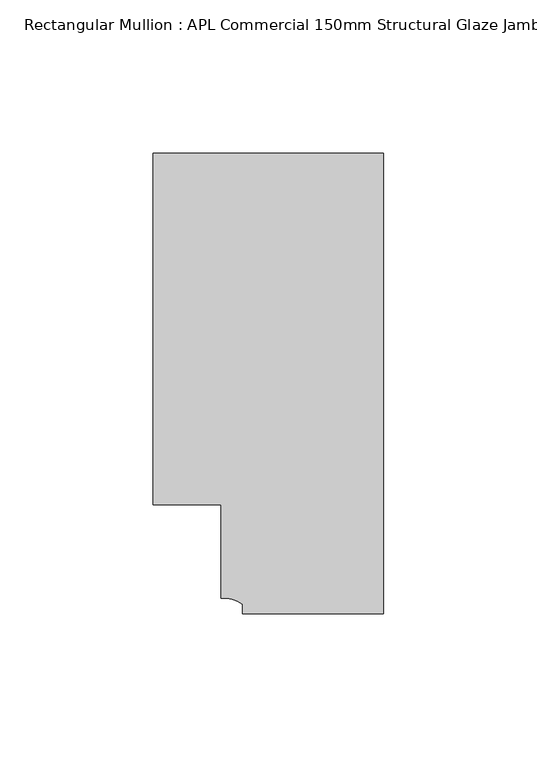
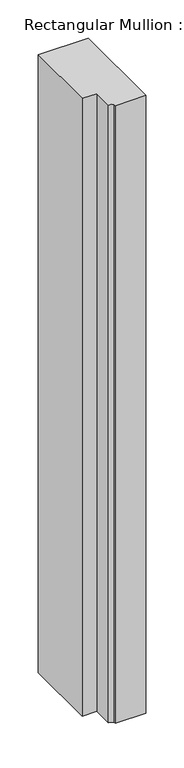
"""IFC4 building model written with IfcOpenShell, lengths in millimetres: member geometry, Rectangular Mullion : APL Commercial 150mm Structural Glaze Jamb Frame (left)."""

from ifc_helpers import new_model, si_unit, point, frame, frame_2d, origin, place, context, project, spatial, polyline, circle_curve, trimmed, segment, composite_curve, outline, extrude, source, transform, mapped, element, save


def rectangular_mullion_apl_commercial_150mm_structural_glaze_28ed5c4f(model_context):
    return source(origin(), model_context, "Body", "SweptSolid", [
        extrude(outline(composite_curve([segment(polyline([(0.0, -20.5), (-45.9999842, -20.5), (-45.9999842, -17.3125325)]), True, "CONTINUOUS"), segment(trimmed(circle_curve(frame_2d((-52.1098019, -25.7981812)), 10.4563907), [point((-45.9999842, -17.3125325))], [point((-52.9999391, -15.3797475))], True, "CARTESIAN"), True, "CONTINUOUS"), segment(polyline([(-52.9999391, -15.3797475), (-52.9999391, 15.0000829), (-75.0, 15.0000829), (-75.0, 129.4999988), (0.0, 129.4999988), (0.0, -20.5)]), True, "CONTINUOUS")], self_intersect=False)), frame((0.0, 0.0, -983.6802793), z_axis=(0.0, 0.0, 1.0), x_axis=(1.0, 0.0, 0.0)), (0.0, 0.0, 1.0), 983.6802793),
    ])


if __name__ == "__main__":
    model = new_model("IFC4")
    model_context = context("Model", 3, world=origin())
    ifc_project = project(units=[si_unit("LENGTHUNIT", "METRE", prefix="MILLI")], contexts=[model_context])
    site = spatial("IfcSite", under=ifc_project)
    building = spatial("IfcBuilding", under=site)
    placement = place(None, origin())
    rectangular_mullion_apl_commercial_150mm_structural_glaze_shape = rectangular_mullion_apl_commercial_150mm_structural_glaze_28ed5c4f(model_context)
    element("IfcMember", 1, ObjectType="Rectangular Mullion : APL Commercial 150mm Structural Glaze Jamb Frame (left)", at=placement, inside=building, context=model_context, shape_type="MappedRepresentation", body=[
        mapped(rectangular_mullion_apl_commercial_150mm_structural_glaze_shape, transform((0.0, 0.0, 0.0), x_axis=(1.0, 0.0, 0.0), y_axis=(0.0, 1.0, 0.0), z_axis=(0.0, 0.0, 1.0))),
    ])
    save(model, "model.ifc")
